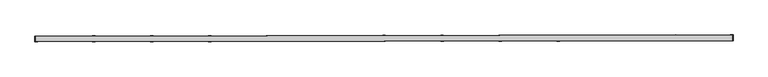
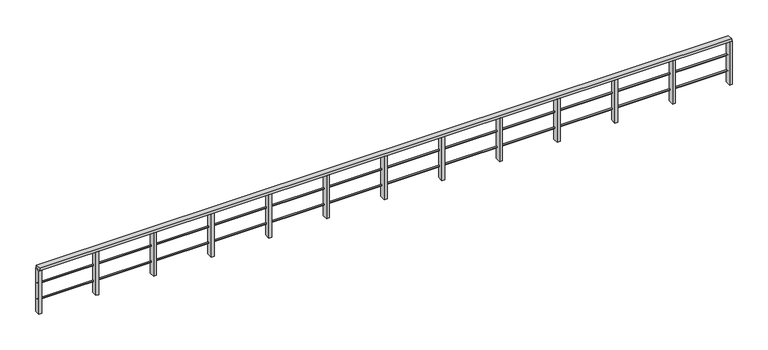
"""IFC4 building model written with IfcOpenShell, lengths in millimetres: railing geometry."""

from ifc_helpers import new_model, si_unit, frame, origin, place, context, project, spatial, polyline, ellipse_curve, outline, extrude, faceted_brep, source, transform, mapped, element, save
from ifc_brep_helpers import plane_surface, cylinder_surface, advanced_brep


def railing_b76c15e3(model_context):
    return source(origin(), model_context, "Body", "SolidModel", [
        faceted_brep([(-53909.5252239, 90333.3939393, -3707.5057363), (-53909.7138664, 90453.3937911, -3707.5057363), (-53909.7138664, 90453.3937911, -3757.5057421), (-53909.5252239, 90333.3939393, -3757.5057421), (-39561.109867, 90355.9499822, -3714.4287445), (-39561.109867, 90355.9499822, -3764.4287503), (-39561.2985096, 90475.9498339, -3764.4287503), (-39561.2985096, 90475.9498339, -3714.4287445)], [[[0, 1, 2, 3]], [[4, 5, 6, 7]], [[1, 0, 4, 7]], [[2, 1, 7, 6]], [[3, 2, 6, 5]], [[0, 3, 5, 4]]]),
        advanced_brep(
        [(-53909.6981462, 90443.3938034, -4092.505738), (-53909.6509856, 90413.3938405, -4092.505738), (-39561.2827894, 90465.9498463, -4099.4287463), (-39561.2356288, 90435.9498834, -4099.4287463)],
        [
            (0, 1, ellipse_curve(frame((-53909.6745659, 90428.393822, -4092.505738), z_axis=(-0.9999987643737038, -0.001572021331142932, 0.0), x_axis=(0.0, 0.0, 1.0)), 15.0000017, 15.0)),
            (1, 0, ellipse_curve(frame((-53909.6745659, 90428.393822, -4092.505738), z_axis=(-0.9999987643737038, -0.001572021331142932, 0.0), x_axis=(0.0, 0.0, 1.0)), 15.0000017, 15.0)),
            (2, 3, ellipse_curve(frame((-39561.2592091, 90450.9498648, -4099.4287463), z_axis=(0.9999987643737038, 0.001572021331142932, 0.0), x_axis=(0.0, 0.0, 1.0)), 15.0000017, 15.0)),
            (3, 2, ellipse_curve(frame((-39561.2592091, 90450.9498648, -4099.4287463), z_axis=(0.9999987643737038, 0.001572021331142932, 0.0), x_axis=(0.0, 0.0, 1.0)), 15.0000017, 15.0)),
            (0, 2),
            (3, 1),
        ],
        [
            plane_surface(frame((-53909.6745659, 90428.393822, -4077.5057363), z_axis=(-0.9999987643737038, -0.001572021331142932, 0.0), x_axis=(-0.001572021331142932, 0.9999987643737038, 0.0))),
            plane_surface(frame((-39561.2592091, 90450.9498648, -4084.4287445), z_axis=(0.9999987643737038, 0.001572021331142932, 0.0), x_axis=(-0.001572021331142932, 0.9999987643737038, 0.0))),
            cylinder_surface(frame((-53909.6818033, 90428.3938106, -4092.5057346), z_axis=(-0.999998647974467, -0.001572021148160623, 0.0004824922255297766), x_axis=(0.0015720213311429321, -0.9999987643737038, 0.0)), 15.0),
        ],
        [
            (0, [[1, 2]]),
            (1, [[3, 4]]),
            (2, [[-1, 5, -4, 6]]),
            (2, [[-2, -6, -3, -5]]),
        ],
    ),
        advanced_brep(
        [(-53909.6981462, 90443.3938034, -4442.505738), (-53909.6509856, 90413.3938405, -4442.505738), (-39561.2827894, 90465.9498463, -4449.4287463), (-39561.2356288, 90435.9498834, -4449.4287463)],
        [
            (0, 1, ellipse_curve(frame((-53909.6745659, 90428.393822, -4442.505738), z_axis=(-0.9999987643737038, -0.001572021331142932, 0.0), x_axis=(0.0, 0.0, 1.0)), 15.0000017, 15.0)),
            (1, 0, ellipse_curve(frame((-53909.6745659, 90428.393822, -4442.505738), z_axis=(-0.9999987643737038, -0.001572021331142932, 0.0), x_axis=(0.0, 0.0, 1.0)), 15.0000017, 15.0)),
            (2, 3, ellipse_curve(frame((-39561.2592091, 90450.9498648, -4449.4287463), z_axis=(0.9999987643737038, 0.001572021331142932, 0.0), x_axis=(0.0, 0.0, 1.0)), 15.0000017, 15.0)),
            (3, 2, ellipse_curve(frame((-39561.2592091, 90450.9498648, -4449.4287463), z_axis=(0.9999987643737038, 0.001572021331142932, 0.0), x_axis=(0.0, 0.0, 1.0)), 15.0000017, 15.0)),
            (0, 2),
            (3, 1),
        ],
        [
            plane_surface(frame((-53909.6745659, 90428.393822, -4427.5057363), z_axis=(-0.9999987643737038, -0.001572021331142932, 0.0), x_axis=(-0.001572021331142932, 0.9999987643737038, 0.0))),
            plane_surface(frame((-39561.2592091, 90450.9498648, -4434.4287445), z_axis=(0.9999987643737038, 0.001572021331142932, 0.0), x_axis=(-0.001572021331142932, 0.9999987643737038, 0.0))),
            cylinder_surface(frame((-53909.6818033, 90428.3938106, -4442.5057346), z_axis=(-0.999998647974467, -0.001572021148160623, 0.0004824922255297766), x_axis=(0.0015720213311429321, -0.9999987643737038, 0.0)), 15.0),
        ],
        [
            (0, [[1, 2]]),
            (1, [[3, 4]]),
            (2, [[-1, 5, -4, 6]]),
            (2, [[-2, -6, -3, -5]]),
        ],
    ),
        extrude(outline(polyline([(60.0000069, 0.0), (59.5416393, -949.9998895), (-0.4583676, -949.9998894), (0.0, 0.0), (60.0000069, 0.0)])), frame((-40726.8111839, 90354.1174726, -3763.8663019), z_axis=(-0.0015720213311429321, 0.9999987643737038, 0.0), x_axis=(-0.999998647974467, -0.001572021148160623, 0.0004824922255287693)), (0.0, 0.0, 1.0), 120.0),
        extrude(outline(polyline([(60.0000069, 1e-07), (59.5416393, -949.9998894), (-0.4583676, -949.9998894), (0.0, 0.0), (60.0000069, 1e-07)])), frame((-41922.5124636, 90352.2378024, -3763.2893846), z_axis=(-0.0015720213311429321, 0.9999987643737038, 0.0), x_axis=(-0.999998647974467, -0.001572021148160623, 0.0004824922255287693)), (0.0, 0.0, 1.0), 120.0),
        extrude(outline(polyline([(60.000007, 0.0), (59.5416394, -949.9998895), (-0.4583676, -949.9998894), (0.0, 0.0), (60.000007, 0.0)])), frame((-43118.2137433, 90350.3581321, -3762.7124672), z_axis=(-0.0015720213311429321, 0.9999987643737038, 0.0), x_axis=(-0.999998647974467, -0.001572021148160623, 0.0004824922255287693)), (0.0, 0.0, 1.0), 120.0),
        extrude(outline(polyline([(60.0000069, 1e-07), (59.5416393, -949.9998894), (-0.4583676, -949.9998894), (0.0, 0.0), (60.0000069, 1e-07)])), frame((-44313.9150231, 90348.4784619, -3762.1355499), z_axis=(-0.0015720213311429321, 0.9999987643737038, 0.0), x_axis=(-0.999998647974467, -0.001572021148160623, 0.0004824922255287693)), (0.0, 0.0, 1.0), 120.0),
        extrude(outline(polyline([(60.000007, 0.0), (59.5416394, -949.9998895), (-0.4583676, -949.9998894), (0.0, 0.0), (60.000007, 0.0)])), frame((-45509.6163028, 90346.5987917, -3761.5586325), z_axis=(-0.0015720213311429321, 0.9999987643737038, 0.0), x_axis=(-0.999998647974467, -0.001572021148160623, 0.0004824922255287693)), (0.0, 0.0, 1.0), 120.0),
        extrude(outline(polyline([(60.000007, 1e-07), (59.5416394, -949.9998894), (-0.4583676, -949.9998894), (0.0, 0.0), (60.000007, 1e-07)])), frame((-46705.3175825, 90344.7191214, -3760.9817152), z_axis=(-0.0015720213311429321, 0.9999987643737038, 0.0), x_axis=(-0.999998647974467, -0.001572021148160623, 0.0004824922255287693)), (0.0, 0.0, 1.0), 120.0),
        extrude(outline(polyline([(60.0000069, 0.0), (59.5416393, -949.9998895), (-0.4583676, -949.9998894), (0.0, 0.0), (60.0000069, 0.0)])), frame((-47901.0188623, 90342.8394512, -3760.4047978), z_axis=(-0.0015720213311429321, 0.9999987643737038, 0.0), x_axis=(-0.999998647974467, -0.001572021148160623, 0.0004824922255287693)), (0.0, 0.0, 1.0), 120.0),
        extrude(outline(polyline([(60.000007, 1e-07), (59.5416394, -949.9998894), (-0.4583676, -949.9998894), (0.0, 0.0), (60.000007, 1e-07)])), frame((-49096.720142, 90340.9597809, -3759.8278805), z_axis=(-0.0015720213311429321, 0.9999987643737038, 0.0), x_axis=(-0.999998647974467, -0.001572021148160623, 0.0004824922255287693)), (0.0, 0.0, 1.0), 120.0),
        extrude(outline(polyline([(60.000007, 0.0), (59.5416394, -949.9998895), (-0.4583676, -949.9998894), (0.0, 0.0), (60.000007, 0.0)])), frame((-50292.4214217, 90339.0801107, -3759.2509631), z_axis=(-0.0015720213311429321, 0.9999987643737038, 0.0), x_axis=(-0.999998647974467, -0.001572021148160623, 0.0004824922255287693)), (0.0, 0.0, 1.0), 120.0),
        extrude(outline(polyline([(60.0000069, 1e-07), (59.5416393, -949.9998894), (-0.4583676, -949.9998894), (0.0, 0.0), (60.0000069, 1e-07)])), frame((-51488.1227015, 90337.2004405, -3758.6740458), z_axis=(-0.0015720213311429321, 0.9999987643737038, 0.0), x_axis=(-0.999998647974467, -0.001572021148160623, 0.0004824922255287693)), (0.0, 0.0, 1.0), 120.0),
        extrude(outline(polyline([(60.000007, 0.0), (59.5416394, -949.9998895), (-0.4583676, -949.9998894), (0.0, 0.0), (60.000007, 0.0)])), frame((-52683.8239812, 90335.3207702, -3758.0971284), z_axis=(-0.0015720213311429321, 0.9999987643737038, 0.0), x_axis=(-0.999998647974467, -0.001572021148160623, 0.0004824922255287693)), (0.0, 0.0, 1.0), 120.0),
        extrude(outline(polyline([(60.000007, 0.0), (59.5416394, -949.9998895), (-0.4583676, -949.9998894), (0.0, 0.0), (60.000007, 0.0)])), frame((-39543.8098884, 90355.9771782, -3764.4370916), z_axis=(-0.0015720213311429321, 0.9999987643737038, 0.0), x_axis=(-0.999998647974467, -0.001572021148160623, 0.0004824922255287693)), (0.0, 0.0, 1.0), 120.0),
        extrude(outline(polyline([(60.000007, 0.0), (59.5416394, -949.9998895), (-0.4583676, -949.9998894), (0.0, 0.0), (60.000007, 0.0)])), frame((-53866.8252766, 90333.4610647, -3757.5263387), z_axis=(-0.0015720213311429321, 0.9999987643737038, 0.0), x_axis=(-0.999998647974467, -0.001572021148160623, 0.0004824922255287693)), (0.0, 0.0, 1.0), 120.0),
    ])


if __name__ == "__main__":
    model = new_model("IFC4")
    model_context = context("Model", 3, world=origin())
    ifc_project = project(units=[si_unit("LENGTHUNIT", "METRE", prefix="MILLI")], contexts=[model_context])
    site = spatial("IfcSite", under=ifc_project)
    building = spatial("IfcBuilding", under=site)
    placement = place(None, origin())
    railing_shape = railing_b76c15e3(model_context)
    element("IfcRailing", 1, at=placement, inside=building, context=model_context, shape_type="MappedRepresentation", body=[
        mapped(railing_shape, transform((0.0, 0.0, 0.0), x_axis=(1.0, 0.0, 0.0), y_axis=(0.0, 1.0, 0.0), z_axis=(0.0, 0.0, 1.0))),
    ])
    save(model, "model.ifc")
